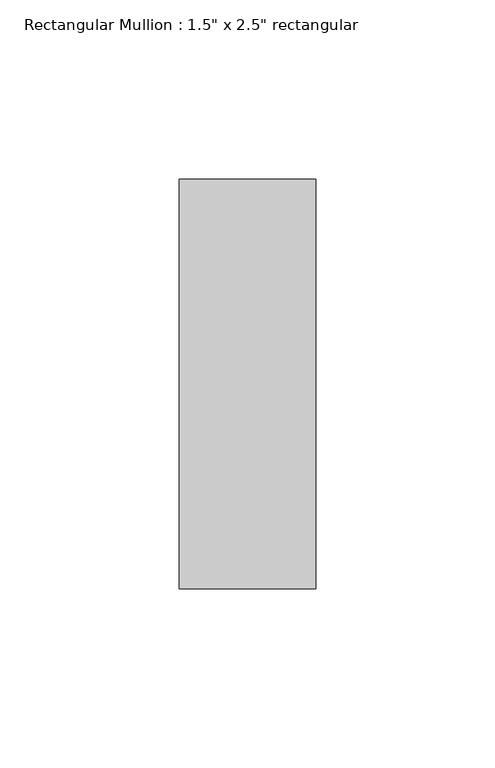
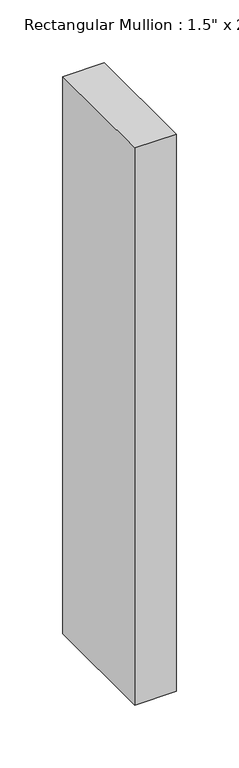
"""IFC4 building model written with IfcOpenShell, lengths in millimetres: member geometry."""

from ifc_helpers import new_model, si_unit, frame, origin, place, context, project, spatial, polyline, outline, extrude, source, transform, mapped, element, save


def member_0cd7f99a(model_context):
    return source(origin(), model_context, "Body", "SweptSolid", [
        extrude(outline(polyline([(19.05, 57.15), (19.05, -57.15), (-19.05, -57.15), (-19.05, 57.15), (19.05, 57.15)])), frame((0.0, 0.0, -541.3655049), z_axis=(0.0, 0.0, 1.0), x_axis=(1.0, 0.0, 0.0)), (0.0, 0.0, 1.0), 541.3655049),
    ])


if __name__ == "__main__":
    model = new_model("IFC4")
    model_context = context("Model", 3, world=origin())
    ifc_project = project(units=[si_unit("LENGTHUNIT", "METRE", prefix="MILLI")], contexts=[model_context])
    site = spatial("IfcSite", under=ifc_project)
    building = spatial("IfcBuilding", under=site)
    placement = place(None, origin())
    member_shape = member_0cd7f99a(model_context)
    element("IfcMember", 1, ObjectType="Rectangular Mullion : 1.5\" x 2.5\" rectangular", at=placement, inside=building, context=model_context, shape_type="MappedRepresentation", body=[
        mapped(member_shape, transform((0.0, 0.0, 0.0), x_axis=(1.0, 0.0, 0.0), y_axis=(0.0, 1.0, 0.0), z_axis=(0.0, 0.0, 1.0))),
    ])
    save(model, "model.ifc")
